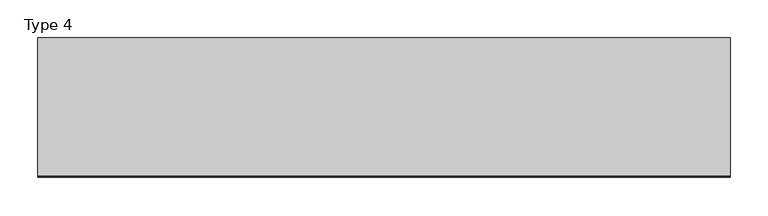
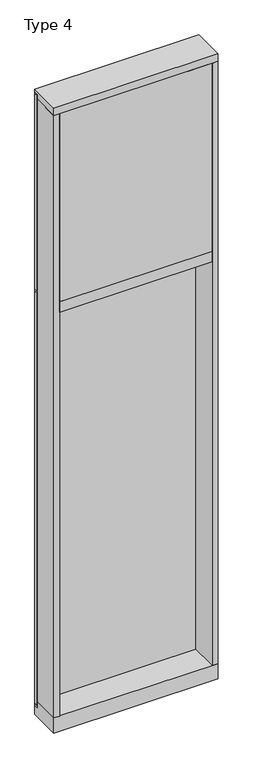
"""IFC4 building model written with IfcOpenShell, lengths in millimetres: plate geometry, Type 4."""

import ifcopenshell
import ifcopenshell.guid

model = None  # the IFC model being written
_history = None  # IfcOwnerHistory: only IFC2X3 demands one
_inside = {}  # id of a spatial element -> (the spatial element, [elements in it])
_under = {}  # id of a project, library or spatial element -> (it, [spatial elements below it])
_declared = {}  # id of a project -> (the project, [libraries it declares])
_typed = {}  # id of a type object -> (the type object, [elements of that type])
_made_of = {}  # id of a material, layer set ... -> (it, [elements and type objects made of it])


def new_model(schema):
    """Start an empty IFC model of exactly this schema.

    Asked for "IFC4X3", IfcOpenShell would pick the latest addendum, in which some entities
    have other attributes; the version numbers below select the first issue.
    IFC2X3 requires an IfcOwnerHistory on every rooted entity: one is made here for all.
    """
    global model, _history
    if schema == "IFC4X3":
        model = ifcopenshell.file(schema_version=(4, 3, 0, 0))
    else:
        model = ifcopenshell.file(schema=schema)
    _inside.clear()
    _under.clear()
    _declared.clear()
    _typed.clear()
    _made_of.clear()
    _history = None
    if model.schema == "IFC2X3":
        org = make("IfcOrganization", Name="unknown")
        user = make(
            "IfcPersonAndOrganization",
            ThePerson=make("IfcPerson", FamilyName="unknown"),
            TheOrganization=org,
        )
        app = make(
            "IfcApplication",
            ApplicationDeveloper=org,
            Version="unknown",
            ApplicationFullName="unknown",
            ApplicationIdentifier="unknown",
        )
        _history = make(
            "IfcOwnerHistory",
            OwningUser=user,
            OwningApplication=app,
            ChangeAction="ADDED",
            CreationDate=0,
        )
    return model


def make(cls, **values):
    """One entity of the class cls with the attributes given. An attribute that is None is left unset."""
    return model.create_entity(
        cls, **{name: value for name, value in values.items() if value is not None}
    )


def rooted(cls, **values):
    """An entity with a GlobalId (a new one), such as an element, a storey or a relation."""
    return make(cls, GlobalId=ifcopenshell.guid.new(), OwnerHistory=_history, **values)


def si_unit(unit_type, name, prefix=None):
    """IfcSIUnit, for example si_unit("LENGTHUNIT", "METRE", prefix="MILLI")."""
    return make("IfcSIUnit", UnitType=unit_type, Prefix=prefix, Name=name)


def assignment(units):
    """IfcUnitAssignment: the units of a project."""
    return None if units is None else make("IfcUnitAssignment", Units=units)


def point(xyz):
    """IfcCartesianPoint."""
    return None if xyz is None else make("IfcCartesianPoint", Coordinates=xyz)


def direction(xyz):
    """IfcDirection."""
    return None if xyz is None else make("IfcDirection", DirectionRatios=xyz)


def frame(location, z_axis=None, x_axis=None):
    """IfcAxis2Placement3D, a coordinate frame: its origin and axes. An axis left out is left unset."""
    return make(
        "IfcAxis2Placement3D",
        Location=point(location),
        Axis=direction(z_axis),
        RefDirection=direction(x_axis),
    )


def origin():
    """The frame at (0, 0, 0) with its axes left unset."""
    return frame((0.0, 0.0, 0.0))


def place(relative_to, where):
    """IfcLocalPlacement: puts the frame where relative to a parent placement (None: the world)."""
    return make(
        "IfcLocalPlacement", PlacementRelTo=relative_to, RelativePlacement=where
    )


def context(
    kind, dimensions, precision=None, world=None, true_north=None, identifier=None
):
    """IfcGeometricRepresentationContext, for example the 3D "Model" context."""
    return make(
        "IfcGeometricRepresentationContext",
        ContextIdentifier=identifier,
        ContextType=kind,
        CoordinateSpaceDimension=dimensions,
        Precision=precision,
        WorldCoordinateSystem=world,
        TrueNorth=true_north,
    )


def project(units=None, contexts=None):
    """IfcProject with its units and contexts."""
    return rooted(
        "IfcProject",
        Name="project",
        RepresentationContexts=contexts,
        UnitsInContext=assignment(units),
    )


def spatial(cls, under=None, at=None, **own):
    """A site, building, storey or space (cls), placed at a placement, below another one or the project."""
    s = rooted(cls, ObjectPlacement=at, **own)
    if under is not None:
        _under.setdefault(under.id(), (under, []))[1].append(s)
    return s


def polyline(points):
    """IfcPolyline through the points."""
    return make("IfcPolyline", Points=[point(p) for p in points])


def outline(outer, holes=None, kind="AREA"):
    """IfcArbitraryClosedProfileDef: a profile drawn as a closed curve; with holes, ...WithVoids."""
    if holes is None:
        return make("IfcArbitraryClosedProfileDef", ProfileType=kind, OuterCurve=outer)
    return make(
        "IfcArbitraryProfileDefWithVoids",
        ProfileType=kind,
        OuterCurve=outer,
        InnerCurves=holes,
    )


def extrude(swept, where, along, depth):
    """IfcExtrudedAreaSolid: the profile swept, set in the frame where, extruded along a direction by depth."""
    return make(
        "IfcExtrudedAreaSolid",
        SweptArea=swept,
        Position=where,
        ExtrudedDirection=direction(along),
        Depth=depth,
    )


def shape(context_of_items, identifier, shape_type, items):
    """IfcShapeRepresentation: the items that make up one representation, for example the "Body"."""
    return make(
        "IfcShapeRepresentation",
        ContextOfItems=context_of_items,
        RepresentationIdentifier=identifier,
        RepresentationType=shape_type,
        Items=items,
    )


def source(mapping_origin, context_of_items, identifier, shape_type, items):
    """IfcRepresentationMap: a shape defined once, which mapped items show again and again."""
    return make(
        "IfcRepresentationMap",
        MappingOrigin=mapping_origin,
        MappedRepresentation=shape(context_of_items, identifier, shape_type, items),
    )


def transform(
    local_origin,
    x_axis=None,
    y_axis=None,
    z_axis=None,
    scale=None,
    scale2=None,
    scale3=None,
    uniform=True,
):
    """IfcCartesianTransformationOperator3D, or its non-uniform kind. x_axis, y_axis, z_axis: its Axis1, 2, 3."""
    if uniform:
        return make(
            "IfcCartesianTransformationOperator3D",
            Axis1=direction(x_axis),
            Axis2=direction(y_axis),
            LocalOrigin=point(local_origin),
            Scale=scale,
            Axis3=direction(z_axis),
        )
    return make(
        "IfcCartesianTransformationOperator3DnonUniform",
        Axis1=direction(x_axis),
        Axis2=direction(y_axis),
        LocalOrigin=point(local_origin),
        Scale=scale,
        Axis3=direction(z_axis),
        Scale2=scale2,
        Scale3=scale3,
    )


def mapped(mapping_source, mapping_target):
    """IfcMappedItem: shows the shape of a source again, moved by a transform."""
    return make(
        "IfcMappedItem", MappingSource=mapping_source, MappingTarget=mapping_target
    )


def made_of(thing, what):
    """Note that an element or type object is made of a material, layer set ...; save() writes the relation."""
    if what is not None:
        _made_of.setdefault(what.id(), (what, []))[1].append(thing)
    return thing


def element(
    cls,
    number,
    at=None,
    inside=None,
    cuts=None,
    type_object=None,
    material=None,
    context=None,
    identifier="Body",
    shape_type=None,
    held_by="IfcProductDefinitionShape",
    body=None,
    shapes=None,
    **own,
):
    """One element of the class cls, such as IfcWall. Its Tag is "e" and its number.

    at: its placement. inside: the storey or other place that contains it. cuts: it is an
    opening in that element (IfcRelVoidsElement). A single representation is given by context,
    identifier, shape_type and body (its items); several are given by shapes. held_by: the class
    of the entity that holds the representations. save() writes the other relations.
    """
    e = rooted(cls, Tag="e%d" % number, ObjectPlacement=at, **own)
    if body is not None:
        shapes = [shape(context, identifier, shape_type, body)]
    if shapes is not None:
        e.Representation = make(held_by, Representations=shapes)
    if inside is not None:
        _inside.setdefault(inside.id(), (inside, []))[1].append(e)
    if cuts is not None:
        rooted(
            "IfcRelVoidsElement", RelatingBuildingElement=cuts, RelatedOpeningElement=e
        )
    if type_object is not None:
        _typed.setdefault(type_object.id(), (type_object, []))[1].append(e)
    return made_of(e, material)


def aggregate(whole, parts):
    """IfcRelAggregates: a whole, such as a stair, and the parts it consists of."""
    return rooted("IfcRelAggregates", RelatingObject=whole, RelatedObjects=parts)


def save(model, path):
    """Write the relations noted so far, then the file.

    IfcRelAggregates (storeys below a building ...), IfcRelContainedInSpatialStructure (elements
    in a storey), IfcRelDefinesByType, IfcRelAssociatesMaterial and IfcRelDeclares: one each for
    every whole, place, type object, material and project.
    """
    for whole, parts in _under.values():
        aggregate(whole, parts)
    for where, things in _inside.values():
        rooted(
            "IfcRelContainedInSpatialStructure",
            RelatedElements=things,
            RelatingStructure=where,
        )
    for kind, things in _typed.values():
        rooted("IfcRelDefinesByType", RelatedObjects=things, RelatingType=kind)
    for what, things in _made_of.values():
        rooted("IfcRelAssociatesMaterial", RelatedObjects=things, RelatingMaterial=what)
    for by, libraries in _declared.values():
        rooted("IfcRelDeclares", RelatingContext=by, RelatedDefinitions=libraries)
    model.write(path)


def type_4_0a179dfc(model_context):
    return source(origin(), model_context, "Body", "SweptSolid", [
        extrude(outline(polyline([(-457.2, -155.9814), (-457.2, 2.286), (-425.45, 2.286), (-425.45, -155.9814), (-457.2, -155.9814)])), frame((0.0, 0.0, 31.75), z_axis=(0.0, 0.0, 1.0), x_axis=(1.0, 0.0, 0.0)), (0.0, 0.0, 1.0), 3543.3),
        extrude(outline(polyline([(457.2, -155.9814), (425.45, -155.9814), (425.45, 2.286), (457.2, 2.286), (457.2, -155.9814)])), frame((0.0, 0.0, 31.75), z_axis=(0.0, 0.0, 1.0), x_axis=(1.0, 0.0, 0.0)), (0.0, 0.0, 1.0), 3543.3),
        extrude(outline(polyline([(425.4510892, -48.6409999), (425.4510892, -156.32684), (-425.45, -156.32684), (-425.45, -48.6409999), (425.4510892, -48.6409999)])), frame((0.0, 0.0, 2470.15), z_axis=(0.0, 0.0, 1.0), x_axis=(1.0, 0.0, 0.0)), (0.0, 0.0, 1.0), 1104.9984372),
        extrude(outline(polyline([(457.2, 27.6881517), (457.2, 11.2982336), (444.5010892, 11.2982336), (444.5010892, 27.6881517), (457.2, 27.6881517)])), frame((0.0, 0.0, 2444.75), z_axis=(0.0, 0.0, 1.0), x_axis=(1.0, 0.0, 0.0)), (0.0, 0.0, 1.0), 1149.35),
        extrude(outline(polyline([(-444.5010892, 27.6881517), (-444.5010892, 11.2982336), (-457.2, 11.2982336), (-457.2, 27.6881517), (-444.5010892, 27.6881517)])), frame((0.0, 0.0, 2444.75), z_axis=(0.0, 0.0, 1.0), x_axis=(1.0, 0.0, 0.0)), (0.0, 0.0, 1.0), 1149.35),
        extrude(outline(polyline([(444.5010892, 27.686), (444.5010892, 2.286), (-444.5010892, 2.286), (-444.5010892, 27.686), (444.5010892, 27.686)])), frame((0.0, 0.0, 2444.75), z_axis=(0.0, 0.0, 1.0), x_axis=(1.0, 0.0, 0.0)), (0.0, 0.0, 1.0), 1149.35),
        extrude(outline(polyline([(457.2, 27.6881517), (457.2, 11.2982336), (444.5010892, 11.2982336), (444.5010892, 27.6881517), (457.2, 27.6881517)])), frame((0.0, 0.0, 6.35), z_axis=(0.0, 0.0, 1.0), x_axis=(1.0, 0.0, 0.0)), (0.0, 0.0, 1.0), 2425.7),
        extrude(outline(polyline([(-444.5010892, 27.6881517), (-444.5010892, 11.2982336), (-457.2, 11.2982336), (-457.2, 27.6881517), (-444.5010892, 27.6881517)])), frame((0.0, 0.0, 6.35), z_axis=(0.0, 0.0, 1.0), x_axis=(1.0, 0.0, 0.0)), (0.0, 0.0, 1.0), 2425.7),
        extrude(outline(polyline([(444.5010892, 27.686), (444.5010892, 2.286), (-444.5010892, 2.286), (-444.5010892, 27.686), (444.5010892, 27.686)])), frame((0.0, 0.0, 6.35), z_axis=(0.0, 0.0, 1.0), x_axis=(1.0, 0.0, 0.0)), (0.0, 0.0, 1.0), 2425.7),
        extrude(outline(polyline([(457.2, 27.686), (457.2, 6.35), (-457.2, 6.35), (-457.2, 27.686), (457.2, 27.686)])), frame((0.0, 0.0, 2432.05), z_axis=(0.0, 0.0, 1.0), x_axis=(1.0, 0.0, 0.0)), (0.0, 0.0, 1.0), 12.7),
        extrude(outline(polyline([(-457.2, 15.9510838), (-457.2, 27.6859999), (457.2, 27.6859999), (457.2, 15.9510838), (-457.2, 15.9510838)])), frame((0.0, 0.0, 3594.7366239), z_axis=(0.0, 0.0, 1.0), x_axis=(1.0, 0.0, 0.0)), (0.0, 0.0, 1.0), 6.7161694),
        extrude(outline(polyline([(27.686, 3619.5), (27.686, 3601.4527933), (2.286, 3601.4527933), (2.286, 3575.6866239), (-155.6003929, 3575.6866239), (-155.4081413, 3619.5), (27.686, 3619.5)])), frame((-457.2, 0.0, 0.0), z_axis=(1.0, 0.0, 0.0), x_axis=(0.0, 1.0, 0.0)), (0.0, 0.0, 1.0), 914.4),
        extrude(outline(polyline([(-457.2, 5.0946564), (-457.2, 27.6881517), (457.2, 27.6881517), (457.2, 5.0946564), (-457.2, 5.0946564)])), frame((0.0, 0.0, -6.2984797), z_axis=(0.0, 0.0, 1.0), x_axis=(1.0, 0.0, 0.0)), (0.0, 0.0, 1.0), 12.6484797),
        extrude(outline(polyline([(-425.45, -155.4734), (-425.45, 2.2859999), (425.45, 2.2859999), (425.45, -155.4734), (-425.45, -155.4734)])), frame((0.0, 0.0, 2406.65), z_axis=(0.0, 0.0, 1.0), x_axis=(1.0, 0.0, 0.0)), (0.0, 0.0, 1.0), 63.5),
        extrude(outline(polyline([(2.2859999, 31.75), (2.2859999, -6.2983857), (27.6858239, -6.2983857), (27.6858239, -57.15), (-155.6004, -57.15), (-155.6004, 31.75), (2.2859999, 31.75)])), frame((-457.2, 0.0, 0.0), z_axis=(1.0, 0.0, 0.0), x_axis=(0.0, 1.0, 0.0)), (0.0, 0.0, 1.0), 914.4),
    ])


if __name__ == "__main__":
    model = new_model("IFC4")
    model_context = context("Model", 3, world=origin())
    ifc_project = project(units=[si_unit("LENGTHUNIT", "METRE", prefix="MILLI")], contexts=[model_context])
    site = spatial("IfcSite", under=ifc_project)
    building = spatial("IfcBuilding", under=site)
    placement = place(None, origin())
    type_4_shape = type_4_0a179dfc(model_context)
    element("IfcPlate", 1, ObjectType="Type 4", at=placement, inside=building, context=model_context, shape_type="MappedRepresentation", body=[
        mapped(type_4_shape, transform((0.0, 0.0, 0.0), x_axis=(1.0, 0.0, 0.0), y_axis=(0.0, 1.0, 0.0), z_axis=(0.0, 0.0, 1.0))),
    ])
    save(model, "model.ifc")
